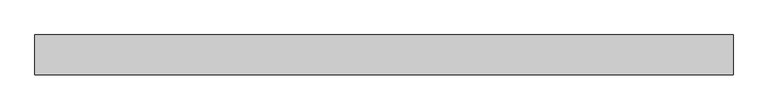
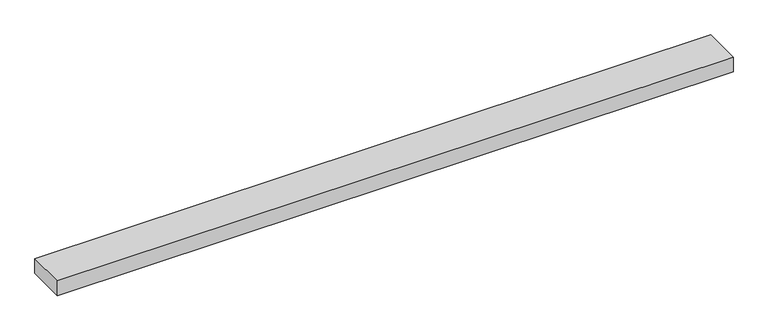
"""IFC4 building model written with IfcOpenShell, lengths in millimetres: beam geometry."""

from ifc_helpers import new_model, si_unit, frame, origin, place, context, project, spatial, polyline, outline, extrude, source, transform, mapped, element, save


def beam_7c8840ff(model_context):
    return source(origin(), model_context, "Body", "SweptSolid", [
        extrude(outline(polyline([(-609.6, 35.0), (609.6, 35.0), (609.6, -35.0), (-609.6, -35.0), (-609.6, 35.0)])), frame((0.0, 0.0, -14.0), z_axis=(0.0, 0.0, 1.0), x_axis=(1.0, 0.0, 0.0)), (0.0, 0.0, 1.0), 28.0),
    ])


if __name__ == "__main__":
    model = new_model("IFC4")
    model_context = context("Model", 3, world=origin())
    ifc_project = project(units=[si_unit("LENGTHUNIT", "METRE", prefix="MILLI")], contexts=[model_context])
    site = spatial("IfcSite", under=ifc_project)
    building = spatial("IfcBuilding", under=site)
    placement = place(None, origin())
    beam_shape = beam_7c8840ff(model_context)
    element("IfcBeam", 1, at=placement, inside=building, context=model_context, shape_type="MappedRepresentation", body=[
        mapped(beam_shape, transform((0.0, 0.0, 0.0), x_axis=(1.0, 0.0, 0.0), y_axis=(0.0, 1.0, 0.0), z_axis=(0.0, 0.0, 1.0))),
    ])
    save(model, "model.ifc")
